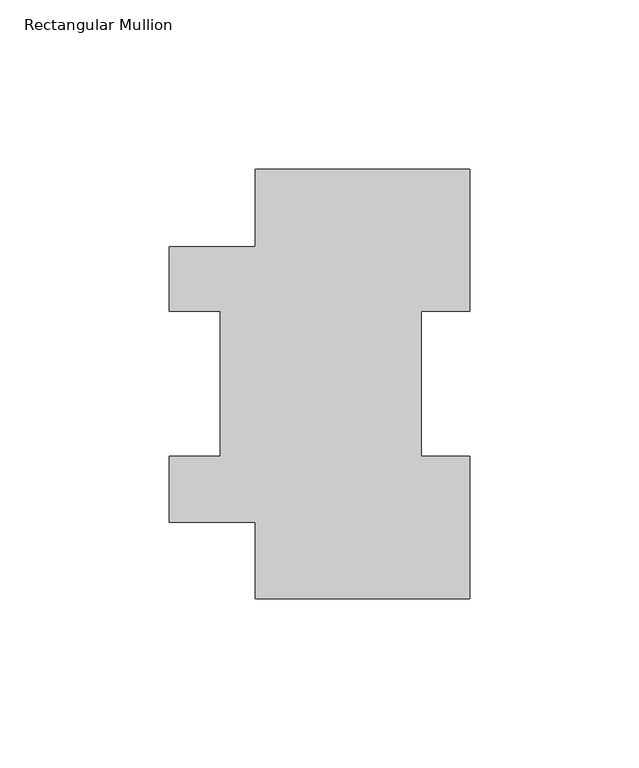
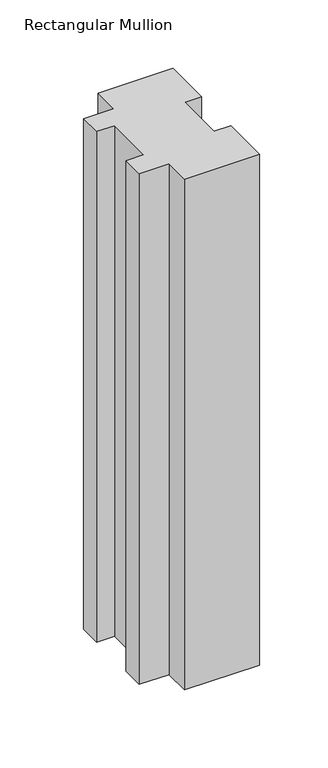
"""IFC4 building model written with IfcOpenShell, lengths in millimetres: member geometry, Rectangular Mullion."""

from ifc_helpers import new_model, si_unit, frame, origin, place, context, project, spatial, polyline, outline, extrude, source, transform, mapped, element, save


def rectangular_mullion_e8df711a(model_context):
    return source(origin(), model_context, "Body", "SweptSolid", [
        extrude(outline(polyline([(-31.75, 127.00635), (31.7502713, 127.00635), (31.7502713, 84.93125), (17.4622287, 84.93125), (17.4622287, 42.08145), (31.7497287, 42.08145), (31.7497287, 0.00635), (-31.75, 0.00635), (-31.75, 22.59965), (-57.1497287, 22.59965), (-57.1497287, 42.08145), (-42.0621287, 42.08145), (-42.0621287, 84.93125), (-57.1497287, 84.93125), (-57.1497287, 103.98125), (-31.75, 103.98125), (-31.75, 127.00635)])), frame((0.0, 0.0, -457.2), z_axis=(0.0, 0.0, 1.0), x_axis=(1.0, 0.0, 0.0)), (0.0, 0.0, 1.0), 457.2),
    ])


if __name__ == "__main__":
    model = new_model("IFC4")
    model_context = context("Model", 3, world=origin())
    ifc_project = project(units=[si_unit("LENGTHUNIT", "METRE", prefix="MILLI")], contexts=[model_context])
    site = spatial("IfcSite", under=ifc_project)
    building = spatial("IfcBuilding", under=site)
    placement = place(None, origin())
    rectangular_mullion_shape = rectangular_mullion_e8df711a(model_context)
    element("IfcMember", 1, ObjectType="Rectangular Mullion", at=placement, inside=building, context=model_context, shape_type="MappedRepresentation", body=[
        mapped(rectangular_mullion_shape, transform((0.0, 0.0, 0.0), x_axis=(1.0, 0.0, 0.0), y_axis=(0.0, 1.0, 0.0), z_axis=(0.0, 0.0, 1.0))),
    ])
    save(model, "model.ifc")
